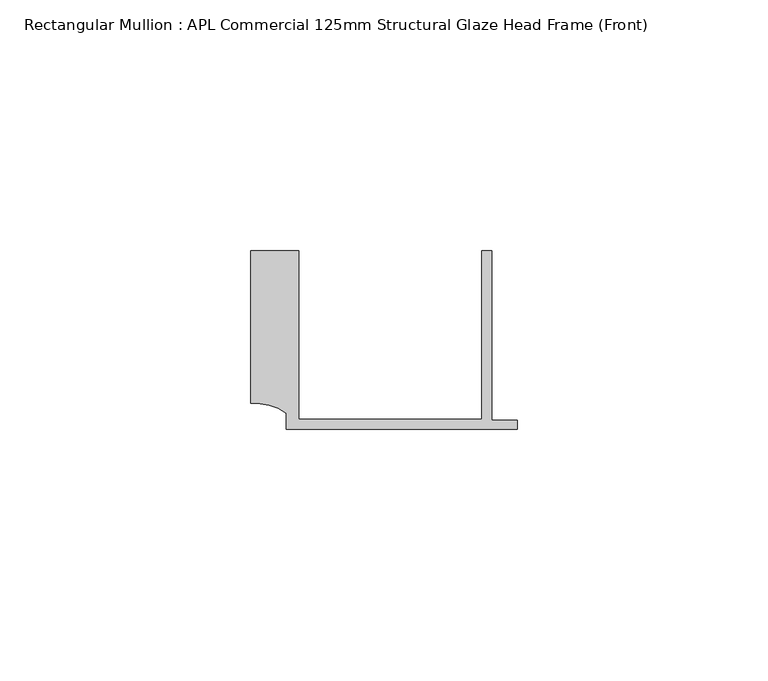
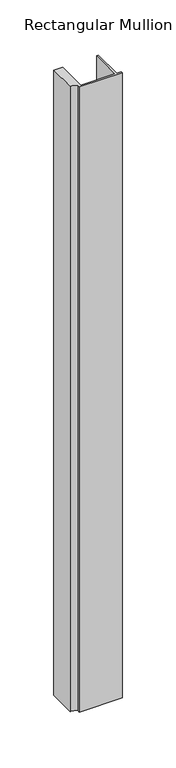
"""IFC4 building model written with IfcOpenShell, lengths in millimetres: member geometry, Rectangular Mullion : APL Commercial 125mm Structural Glaze Head Frame (Front)."""

import ifcopenshell
import ifcopenshell.guid

model = None  # the IFC model being written
_history = None  # IfcOwnerHistory: only IFC2X3 demands one
_inside = {}  # id of a spatial element -> (the spatial element, [elements in it])
_under = {}  # id of a project, library or spatial element -> (it, [spatial elements below it])
_declared = {}  # id of a project -> (the project, [libraries it declares])
_typed = {}  # id of a type object -> (the type object, [elements of that type])
_made_of = {}  # id of a material, layer set ... -> (it, [elements and type objects made of it])


def new_model(schema):
    """Start an empty IFC model of exactly this schema.

    Asked for "IFC4X3", IfcOpenShell would pick the latest addendum, in which some entities
    have other attributes; the version numbers below select the first issue.
    IFC2X3 requires an IfcOwnerHistory on every rooted entity: one is made here for all.
    """
    global model, _history
    if schema == "IFC4X3":
        model = ifcopenshell.file(schema_version=(4, 3, 0, 0))
    else:
        model = ifcopenshell.file(schema=schema)
    _inside.clear()
    _under.clear()
    _declared.clear()
    _typed.clear()
    _made_of.clear()
    _history = None
    if model.schema == "IFC2X3":
        org = make("IfcOrganization", Name="unknown")
        user = make(
            "IfcPersonAndOrganization",
            ThePerson=make("IfcPerson", FamilyName="unknown"),
            TheOrganization=org,
        )
        app = make(
            "IfcApplication",
            ApplicationDeveloper=org,
            Version="unknown",
            ApplicationFullName="unknown",
            ApplicationIdentifier="unknown",
        )
        _history = make(
            "IfcOwnerHistory",
            OwningUser=user,
            OwningApplication=app,
            ChangeAction="ADDED",
            CreationDate=0,
        )
    return model


def make(cls, **values):
    """One entity of the class cls with the attributes given. An attribute that is None is left unset."""
    return model.create_entity(
        cls, **{name: value for name, value in values.items() if value is not None}
    )


def rooted(cls, **values):
    """An entity with a GlobalId (a new one), such as an element, a storey or a relation."""
    return make(cls, GlobalId=ifcopenshell.guid.new(), OwnerHistory=_history, **values)


def si_unit(unit_type, name, prefix=None):
    """IfcSIUnit, for example si_unit("LENGTHUNIT", "METRE", prefix="MILLI")."""
    return make("IfcSIUnit", UnitType=unit_type, Prefix=prefix, Name=name)


def assignment(units):
    """IfcUnitAssignment: the units of a project."""
    return None if units is None else make("IfcUnitAssignment", Units=units)


def point(xyz):
    """IfcCartesianPoint."""
    return None if xyz is None else make("IfcCartesianPoint", Coordinates=xyz)


def direction(xyz):
    """IfcDirection."""
    return None if xyz is None else make("IfcDirection", DirectionRatios=xyz)


def frame(location, z_axis=None, x_axis=None):
    """IfcAxis2Placement3D, a coordinate frame: its origin and axes. An axis left out is left unset."""
    return make(
        "IfcAxis2Placement3D",
        Location=point(location),
        Axis=direction(z_axis),
        RefDirection=direction(x_axis),
    )


def frame_2d(location, x_axis=None):
    """IfcAxis2Placement2D, a coordinate frame in the plane: its origin and x axis."""
    return make(
        "IfcAxis2Placement2D", Location=point(location), RefDirection=direction(x_axis)
    )


def origin():
    """The frame at (0, 0, 0) with its axes left unset."""
    return frame((0.0, 0.0, 0.0))


def place(relative_to, where):
    """IfcLocalPlacement: puts the frame where relative to a parent placement (None: the world)."""
    return make(
        "IfcLocalPlacement", PlacementRelTo=relative_to, RelativePlacement=where
    )


def context(
    kind, dimensions, precision=None, world=None, true_north=None, identifier=None
):
    """IfcGeometricRepresentationContext, for example the 3D "Model" context."""
    return make(
        "IfcGeometricRepresentationContext",
        ContextIdentifier=identifier,
        ContextType=kind,
        CoordinateSpaceDimension=dimensions,
        Precision=precision,
        WorldCoordinateSystem=world,
        TrueNorth=true_north,
    )


def project(units=None, contexts=None):
    """IfcProject with its units and contexts."""
    return rooted(
        "IfcProject",
        Name="project",
        RepresentationContexts=contexts,
        UnitsInContext=assignment(units),
    )


def spatial(cls, under=None, at=None, **own):
    """A site, building, storey or space (cls), placed at a placement, below another one or the project."""
    s = rooted(cls, ObjectPlacement=at, **own)
    if under is not None:
        _under.setdefault(under.id(), (under, []))[1].append(s)
    return s


def polyline(points):
    """IfcPolyline through the points."""
    return make("IfcPolyline", Points=[point(p) for p in points])


def circle_curve(where, radius):
    """IfcCircle in the frame where."""
    return make("IfcCircle", Position=where, Radius=radius)


def trimmed(basis, trim1, trim2, sense, master):
    """IfcTrimmedCurve: the piece of a basis curve between two trims."""
    return make(
        "IfcTrimmedCurve",
        BasisCurve=basis,
        Trim1=trim1,
        Trim2=trim2,
        SenseAgreement=sense,
        MasterRepresentation=master,
    )


def segment(curve, same_sense, transition):
    """IfcCompositeCurveSegment."""
    return make(
        "IfcCompositeCurveSegment",
        Transition=transition,
        SameSense=same_sense,
        ParentCurve=curve,
    )


def composite_curve(segments, self_intersect=None):
    """IfcCompositeCurve: segments joined end to end."""
    return make("IfcCompositeCurve", Segments=segments, SelfIntersect=self_intersect)


def outline(outer, holes=None, kind="AREA"):
    """IfcArbitraryClosedProfileDef: a profile drawn as a closed curve; with holes, ...WithVoids."""
    if holes is None:
        return make("IfcArbitraryClosedProfileDef", ProfileType=kind, OuterCurve=outer)
    return make(
        "IfcArbitraryProfileDefWithVoids",
        ProfileType=kind,
        OuterCurve=outer,
        InnerCurves=holes,
    )


def extrude(swept, where, along, depth):
    """IfcExtrudedAreaSolid: the profile swept, set in the frame where, extruded along a direction by depth."""
    return make(
        "IfcExtrudedAreaSolid",
        SweptArea=swept,
        Position=where,
        ExtrudedDirection=direction(along),
        Depth=depth,
    )


def shape(context_of_items, identifier, shape_type, items):
    """IfcShapeRepresentation: the items that make up one representation, for example the "Body"."""
    return make(
        "IfcShapeRepresentation",
        ContextOfItems=context_of_items,
        RepresentationIdentifier=identifier,
        RepresentationType=shape_type,
        Items=items,
    )


def source(mapping_origin, context_of_items, identifier, shape_type, items):
    """IfcRepresentationMap: a shape defined once, which mapped items show again and again."""
    return make(
        "IfcRepresentationMap",
        MappingOrigin=mapping_origin,
        MappedRepresentation=shape(context_of_items, identifier, shape_type, items),
    )


def transform(
    local_origin,
    x_axis=None,
    y_axis=None,
    z_axis=None,
    scale=None,
    scale2=None,
    scale3=None,
    uniform=True,
):
    """IfcCartesianTransformationOperator3D, or its non-uniform kind. x_axis, y_axis, z_axis: its Axis1, 2, 3."""
    if uniform:
        return make(
            "IfcCartesianTransformationOperator3D",
            Axis1=direction(x_axis),
            Axis2=direction(y_axis),
            LocalOrigin=point(local_origin),
            Scale=scale,
            Axis3=direction(z_axis),
        )
    return make(
        "IfcCartesianTransformationOperator3DnonUniform",
        Axis1=direction(x_axis),
        Axis2=direction(y_axis),
        LocalOrigin=point(local_origin),
        Scale=scale,
        Axis3=direction(z_axis),
        Scale2=scale2,
        Scale3=scale3,
    )


def mapped(mapping_source, mapping_target):
    """IfcMappedItem: shows the shape of a source again, moved by a transform."""
    return make(
        "IfcMappedItem", MappingSource=mapping_source, MappingTarget=mapping_target
    )


def made_of(thing, what):
    """Note that an element or type object is made of a material, layer set ...; save() writes the relation."""
    if what is not None:
        _made_of.setdefault(what.id(), (what, []))[1].append(thing)
    return thing


def element(
    cls,
    number,
    at=None,
    inside=None,
    cuts=None,
    type_object=None,
    material=None,
    context=None,
    identifier="Body",
    shape_type=None,
    held_by="IfcProductDefinitionShape",
    body=None,
    shapes=None,
    **own,
):
    """One element of the class cls, such as IfcWall. Its Tag is "e" and its number.

    at: its placement. inside: the storey or other place that contains it. cuts: it is an
    opening in that element (IfcRelVoidsElement). A single representation is given by context,
    identifier, shape_type and body (its items); several are given by shapes. held_by: the class
    of the entity that holds the representations. save() writes the other relations.
    """
    e = rooted(cls, Tag="e%d" % number, ObjectPlacement=at, **own)
    if body is not None:
        shapes = [shape(context, identifier, shape_type, body)]
    if shapes is not None:
        e.Representation = make(held_by, Representations=shapes)
    if inside is not None:
        _inside.setdefault(inside.id(), (inside, []))[1].append(e)
    if cuts is not None:
        rooted(
            "IfcRelVoidsElement", RelatingBuildingElement=cuts, RelatedOpeningElement=e
        )
    if type_object is not None:
        _typed.setdefault(type_object.id(), (type_object, []))[1].append(e)
    return made_of(e, material)


def aggregate(whole, parts):
    """IfcRelAggregates: a whole, such as a stair, and the parts it consists of."""
    return rooted("IfcRelAggregates", RelatingObject=whole, RelatedObjects=parts)


def save(model, path):
    """Write the relations noted so far, then the file.

    IfcRelAggregates (storeys below a building ...), IfcRelContainedInSpatialStructure (elements
    in a storey), IfcRelDefinesByType, IfcRelAssociatesMaterial and IfcRelDeclares: one each for
    every whole, place, type object, material and project.
    """
    for whole, parts in _under.values():
        aggregate(whole, parts)
    for where, things in _inside.values():
        rooted(
            "IfcRelContainedInSpatialStructure",
            RelatedElements=things,
            RelatingStructure=where,
        )
    for kind, things in _typed.values():
        rooted("IfcRelDefinesByType", RelatedObjects=things, RelatingType=kind)
    for what, things in _made_of.values():
        rooted("IfcRelAssociatesMaterial", RelatedObjects=things, RelatingMaterial=what)
    for by, libraries in _declared.values():
        rooted("IfcRelDeclares", RelatingContext=by, RelatedDefinitions=libraries)
    model.write(path)


def rectangular_mullion_apl_commercial_125mm_structural_glaze_a41be4ca(model_context):
    return source(origin(), model_context, "Body", "SweptSolid", [
        extrude(outline(composite_curve([segment(polyline([(-52.9999542, 15.0), (-43.5000151, 15.0), (-43.5000151, -18.5002486), (-7.0, -18.5002486), (-7.0, 15.0), (-5.0, 15.0), (-5.0, -18.7002486), (0.0, -18.7002486), (0.0, -20.5002486), (-45.9999994, -20.5002486), (-45.9999994, -17.3126154)]), True, "CONTINUOUS"), segment(trimmed(circle_curve(frame_2d((-52.109817, -25.7982641)), 10.4563907), [point((-45.9999994, -17.3126154))], [point((-52.9999542, -15.3798304))], True, "CARTESIAN"), True, "CONTINUOUS"), segment(polyline([(-52.9999542, -15.3798304), (-52.9999542, 15.0)]), True, "CONTINUOUS")], self_intersect=False)), frame((0.0, 0.0, -710.0244478), z_axis=(0.0, 0.0, 1.0), x_axis=(1.0, 0.0, 0.0)), (0.0, 0.0, 1.0), 710.0244478),
    ])


if __name__ == "__main__":
    model = new_model("IFC4")
    model_context = context("Model", 3, world=origin())
    ifc_project = project(units=[si_unit("LENGTHUNIT", "METRE", prefix="MILLI")], contexts=[model_context])
    site = spatial("IfcSite", under=ifc_project)
    building = spatial("IfcBuilding", under=site)
    placement = place(None, origin())
    rectangular_mullion_apl_commercial_125mm_structural_glaze_shape = rectangular_mullion_apl_commercial_125mm_structural_glaze_a41be4ca(model_context)
    element("IfcMember", 1, ObjectType="Rectangular Mullion : APL Commercial 125mm Structural Glaze Head Frame (Front)", at=placement, inside=building, context=model_context, shape_type="MappedRepresentation", body=[
        mapped(rectangular_mullion_apl_commercial_125mm_structural_glaze_shape, transform((0.0, 0.0, 0.0), x_axis=(1.0, 0.0, 0.0), y_axis=(0.0, 1.0, 0.0), z_axis=(0.0, 0.0, 1.0))),
    ])
    save(model, "model.ifc")
